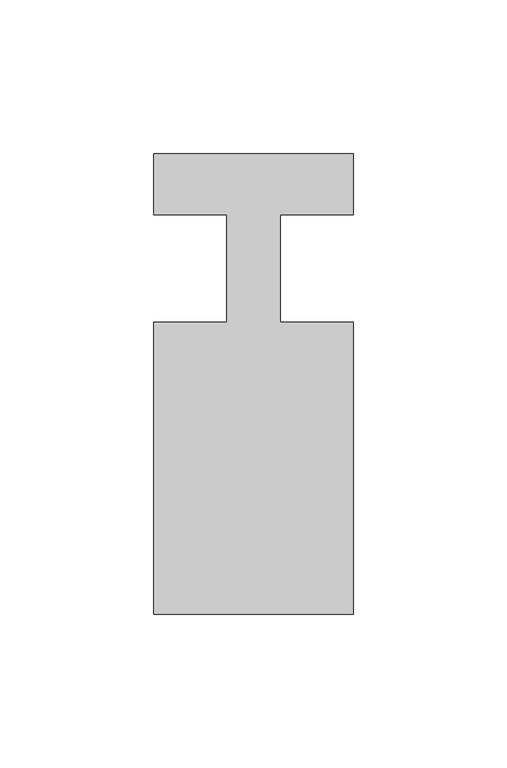
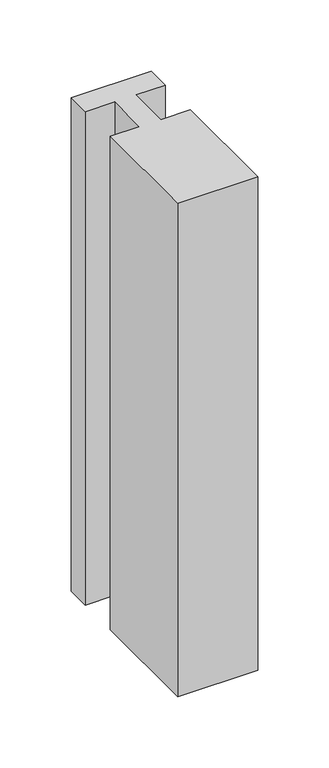
"""IFC4 building model written with IfcOpenShell, lengths in millimetres: member geometry."""

from ifc_helpers import new_model, si_unit, frame, origin, place, context, project, spatial, polyline, outline, extrude, source, transform, mapped, element, save


def member_3102bfac(model_context):
    return source(origin(), model_context, "Body", "SweptSolid", [
        extrude(outline(polyline([(-65.0, 37.0), (0.0, 37.0), (0.0, 17.0), (-23.8125, 17.0), (-23.8125, -18.0), (0.0, -18.0), (0.0, -113.0), (-65.0, -113.0), (-65.0, -18.0), (-41.1875, -18.0), (-41.1875, 17.0), (-65.0, 17.0), (-65.0, 37.0)])), frame((0.0, 0.0, -423.8125), z_axis=(0.0, 0.0, 1.0), x_axis=(1.0, 0.0, 0.0)), (0.0, 0.0, 1.0), 423.8125),
    ])


if __name__ == "__main__":
    model = new_model("IFC4")
    model_context = context("Model", 3, world=origin())
    ifc_project = project(units=[si_unit("LENGTHUNIT", "METRE", prefix="MILLI")], contexts=[model_context])
    site = spatial("IfcSite", under=ifc_project)
    building = spatial("IfcBuilding", under=site)
    placement = place(None, origin())
    member_shape = member_3102bfac(model_context)
    element("IfcMember", 1, at=placement, inside=building, context=model_context, shape_type="MappedRepresentation", body=[
        mapped(member_shape, transform((0.0, 0.0, 0.0), x_axis=(1.0, 0.0, 0.0), y_axis=(0.0, 1.0, 0.0), z_axis=(0.0, 0.0, 1.0))),
    ])
    save(model, "model.ifc")
